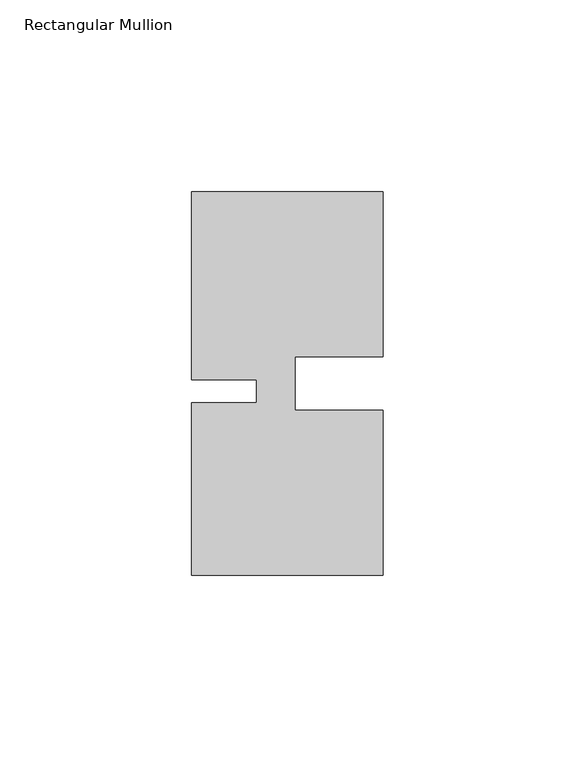
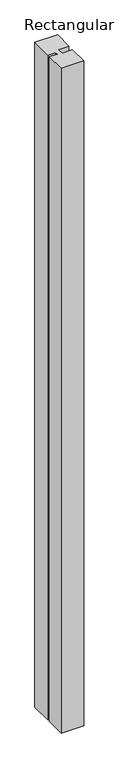
"""IFC4 building model written with IfcOpenShell, lengths in millimetres: member geometry, Rectangular Mullion."""

import ifcopenshell
import ifcopenshell.guid

model = None  # the IFC model being written
_history = None  # IfcOwnerHistory: only IFC2X3 demands one
_inside = {}  # id of a spatial element -> (the spatial element, [elements in it])
_under = {}  # id of a project, library or spatial element -> (it, [spatial elements below it])
_declared = {}  # id of a project -> (the project, [libraries it declares])
_typed = {}  # id of a type object -> (the type object, [elements of that type])
_made_of = {}  # id of a material, layer set ... -> (it, [elements and type objects made of it])


def new_model(schema):
    """Start an empty IFC model of exactly this schema.

    Asked for "IFC4X3", IfcOpenShell would pick the latest addendum, in which some entities
    have other attributes; the version numbers below select the first issue.
    IFC2X3 requires an IfcOwnerHistory on every rooted entity: one is made here for all.
    """
    global model, _history
    if schema == "IFC4X3":
        model = ifcopenshell.file(schema_version=(4, 3, 0, 0))
    else:
        model = ifcopenshell.file(schema=schema)
    _inside.clear()
    _under.clear()
    _declared.clear()
    _typed.clear()
    _made_of.clear()
    _history = None
    if model.schema == "IFC2X3":
        org = make("IfcOrganization", Name="unknown")
        user = make(
            "IfcPersonAndOrganization",
            ThePerson=make("IfcPerson", FamilyName="unknown"),
            TheOrganization=org,
        )
        app = make(
            "IfcApplication",
            ApplicationDeveloper=org,
            Version="unknown",
            ApplicationFullName="unknown",
            ApplicationIdentifier="unknown",
        )
        _history = make(
            "IfcOwnerHistory",
            OwningUser=user,
            OwningApplication=app,
            ChangeAction="ADDED",
            CreationDate=0,
        )
    return model


def make(cls, **values):
    """One entity of the class cls with the attributes given. An attribute that is None is left unset."""
    return model.create_entity(
        cls, **{name: value for name, value in values.items() if value is not None}
    )


def rooted(cls, **values):
    """An entity with a GlobalId (a new one), such as an element, a storey or a relation."""
    return make(cls, GlobalId=ifcopenshell.guid.new(), OwnerHistory=_history, **values)


def si_unit(unit_type, name, prefix=None):
    """IfcSIUnit, for example si_unit("LENGTHUNIT", "METRE", prefix="MILLI")."""
    return make("IfcSIUnit", UnitType=unit_type, Prefix=prefix, Name=name)


def assignment(units):
    """IfcUnitAssignment: the units of a project."""
    return None if units is None else make("IfcUnitAssignment", Units=units)


def point(xyz):
    """IfcCartesianPoint."""
    return None if xyz is None else make("IfcCartesianPoint", Coordinates=xyz)


def direction(xyz):
    """IfcDirection."""
    return None if xyz is None else make("IfcDirection", DirectionRatios=xyz)


def frame(location, z_axis=None, x_axis=None):
    """IfcAxis2Placement3D, a coordinate frame: its origin and axes. An axis left out is left unset."""
    return make(
        "IfcAxis2Placement3D",
        Location=point(location),
        Axis=direction(z_axis),
        RefDirection=direction(x_axis),
    )


def origin():
    """The frame at (0, 0, 0) with its axes left unset."""
    return frame((0.0, 0.0, 0.0))


def place(relative_to, where):
    """IfcLocalPlacement: puts the frame where relative to a parent placement (None: the world)."""
    return make(
        "IfcLocalPlacement", PlacementRelTo=relative_to, RelativePlacement=where
    )


def context(
    kind, dimensions, precision=None, world=None, true_north=None, identifier=None
):
    """IfcGeometricRepresentationContext, for example the 3D "Model" context."""
    return make(
        "IfcGeometricRepresentationContext",
        ContextIdentifier=identifier,
        ContextType=kind,
        CoordinateSpaceDimension=dimensions,
        Precision=precision,
        WorldCoordinateSystem=world,
        TrueNorth=true_north,
    )


def project(units=None, contexts=None):
    """IfcProject with its units and contexts."""
    return rooted(
        "IfcProject",
        Name="project",
        RepresentationContexts=contexts,
        UnitsInContext=assignment(units),
    )


def spatial(cls, under=None, at=None, **own):
    """A site, building, storey or space (cls), placed at a placement, below another one or the project."""
    s = rooted(cls, ObjectPlacement=at, **own)
    if under is not None:
        _under.setdefault(under.id(), (under, []))[1].append(s)
    return s


def polyline(points):
    """IfcPolyline through the points."""
    return make("IfcPolyline", Points=[point(p) for p in points])


def outline(outer, holes=None, kind="AREA"):
    """IfcArbitraryClosedProfileDef: a profile drawn as a closed curve; with holes, ...WithVoids."""
    if holes is None:
        return make("IfcArbitraryClosedProfileDef", ProfileType=kind, OuterCurve=outer)
    return make(
        "IfcArbitraryProfileDefWithVoids",
        ProfileType=kind,
        OuterCurve=outer,
        InnerCurves=holes,
    )


def extrude(swept, where, along, depth):
    """IfcExtrudedAreaSolid: the profile swept, set in the frame where, extruded along a direction by depth."""
    return make(
        "IfcExtrudedAreaSolid",
        SweptArea=swept,
        Position=where,
        ExtrudedDirection=direction(along),
        Depth=depth,
    )


def shape(context_of_items, identifier, shape_type, items):
    """IfcShapeRepresentation: the items that make up one representation, for example the "Body"."""
    return make(
        "IfcShapeRepresentation",
        ContextOfItems=context_of_items,
        RepresentationIdentifier=identifier,
        RepresentationType=shape_type,
        Items=items,
    )


def source(mapping_origin, context_of_items, identifier, shape_type, items):
    """IfcRepresentationMap: a shape defined once, which mapped items show again and again."""
    return make(
        "IfcRepresentationMap",
        MappingOrigin=mapping_origin,
        MappedRepresentation=shape(context_of_items, identifier, shape_type, items),
    )


def transform(
    local_origin,
    x_axis=None,
    y_axis=None,
    z_axis=None,
    scale=None,
    scale2=None,
    scale3=None,
    uniform=True,
):
    """IfcCartesianTransformationOperator3D, or its non-uniform kind. x_axis, y_axis, z_axis: its Axis1, 2, 3."""
    if uniform:
        return make(
            "IfcCartesianTransformationOperator3D",
            Axis1=direction(x_axis),
            Axis2=direction(y_axis),
            LocalOrigin=point(local_origin),
            Scale=scale,
            Axis3=direction(z_axis),
        )
    return make(
        "IfcCartesianTransformationOperator3DnonUniform",
        Axis1=direction(x_axis),
        Axis2=direction(y_axis),
        LocalOrigin=point(local_origin),
        Scale=scale,
        Axis3=direction(z_axis),
        Scale2=scale2,
        Scale3=scale3,
    )


def mapped(mapping_source, mapping_target):
    """IfcMappedItem: shows the shape of a source again, moved by a transform."""
    return make(
        "IfcMappedItem", MappingSource=mapping_source, MappingTarget=mapping_target
    )


def made_of(thing, what):
    """Note that an element or type object is made of a material, layer set ...; save() writes the relation."""
    if what is not None:
        _made_of.setdefault(what.id(), (what, []))[1].append(thing)
    return thing


def element(
    cls,
    number,
    at=None,
    inside=None,
    cuts=None,
    type_object=None,
    material=None,
    context=None,
    identifier="Body",
    shape_type=None,
    held_by="IfcProductDefinitionShape",
    body=None,
    shapes=None,
    **own,
):
    """One element of the class cls, such as IfcWall. Its Tag is "e" and its number.

    at: its placement. inside: the storey or other place that contains it. cuts: it is an
    opening in that element (IfcRelVoidsElement). A single representation is given by context,
    identifier, shape_type and body (its items); several are given by shapes. held_by: the class
    of the entity that holds the representations. save() writes the other relations.
    """
    e = rooted(cls, Tag="e%d" % number, ObjectPlacement=at, **own)
    if body is not None:
        shapes = [shape(context, identifier, shape_type, body)]
    if shapes is not None:
        e.Representation = make(held_by, Representations=shapes)
    if inside is not None:
        _inside.setdefault(inside.id(), (inside, []))[1].append(e)
    if cuts is not None:
        rooted(
            "IfcRelVoidsElement", RelatingBuildingElement=cuts, RelatedOpeningElement=e
        )
    if type_object is not None:
        _typed.setdefault(type_object.id(), (type_object, []))[1].append(e)
    return made_of(e, material)


def aggregate(whole, parts):
    """IfcRelAggregates: a whole, such as a stair, and the parts it consists of."""
    return rooted("IfcRelAggregates", RelatingObject=whole, RelatedObjects=parts)


def save(model, path):
    """Write the relations noted so far, then the file.

    IfcRelAggregates (storeys below a building ...), IfcRelContainedInSpatialStructure (elements
    in a storey), IfcRelDefinesByType, IfcRelAssociatesMaterial and IfcRelDeclares: one each for
    every whole, place, type object, material and project.
    """
    for whole, parts in _under.values():
        aggregate(whole, parts)
    for where, things in _inside.values():
        rooted(
            "IfcRelContainedInSpatialStructure",
            RelatedElements=things,
            RelatingStructure=where,
        )
    for kind, things in _typed.values():
        rooted("IfcRelDefinesByType", RelatedObjects=things, RelatingType=kind)
    for what, things in _made_of.values():
        rooted("IfcRelAssociatesMaterial", RelatedObjects=things, RelatingMaterial=what)
    for by, libraries in _declared.values():
        rooted("IfcRelDeclares", RelatingContext=by, RelatedDefinitions=libraries)
    model.write(path)


def rectangular_mullion_328fd5db(model_context):
    return source(origin(), model_context, "Body", "SweptSolid", [
        extrude(outline(polyline([(-23.0000341, -5.000031), (-4.2e-06, -5.0000287), (0.0, -48.0000271), (-50.0, -48.000032), (-50.0000044, -3.000032), (-33.0004661, -3.0000303), (-33.0004667, 2.999987), (-50.000005, 2.9999853), (-50.0000098, 51.999968), (-3.44e-05, 51.999968), (-3.44e-05, 8.9999707), (-23.0000354, 8.9999684), (-23.0000341, -5.000031)])), frame((0.0, 0.0, -1549.999978), z_axis=(0.0, 0.0, 1.0), x_axis=(1.0, 0.0, 0.0)), (0.0, 0.0, 1.0), 1549.999978),
    ])


if __name__ == "__main__":
    model = new_model("IFC4")
    model_context = context("Model", 3, world=origin())
    ifc_project = project(units=[si_unit("LENGTHUNIT", "METRE", prefix="MILLI")], contexts=[model_context])
    site = spatial("IfcSite", under=ifc_project)
    building = spatial("IfcBuilding", under=site)
    placement = place(None, origin())
    rectangular_mullion_shape = rectangular_mullion_328fd5db(model_context)
    element("IfcMember", 1, ObjectType="Rectangular Mullion", at=placement, inside=building, context=model_context, shape_type="MappedRepresentation", body=[
        mapped(rectangular_mullion_shape, transform((0.0, 0.0, 0.0), x_axis=(1.0, 0.0, 0.0), y_axis=(0.0, 1.0, 0.0), z_axis=(0.0, 0.0, 1.0))),
    ])
    save(model, "model.ifc")
